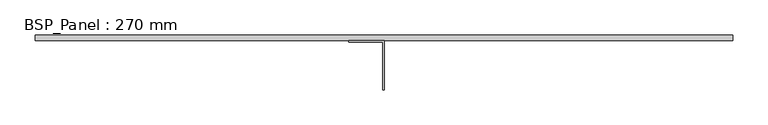
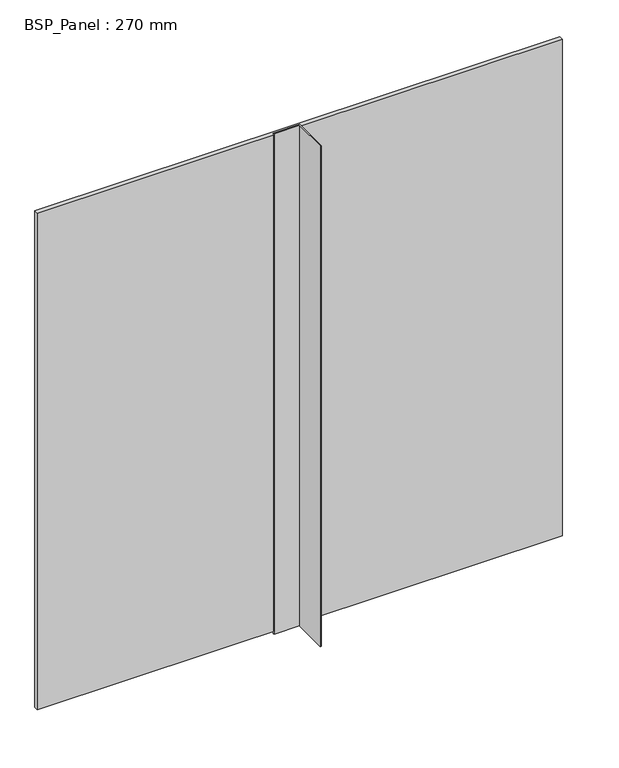
"""IFC4 building model written with IfcOpenShell, lengths in millimetres: plate geometry, BSP_Panel : 270 mm."""

from ifc_helpers import new_model, si_unit, frame, origin, origin_with_axes, place, context, project, spatial, polyline, outline, extrude, source, transform, mapped, element, save


def bsp_panel_270_mm_4b1c4473(model_context):
    return source(origin(), model_context, "Body", "SweptSolid", [
        extrude(outline(polyline([(496.0000001, 270.0), (496.0000001, 262.0), (-496.0000001, 262.0), (-496.0000001, 270.0), (496.0000001, 270.0)])), frame((0.0, 0.0, 4.0), z_axis=(0.0, 0.0, 1.0), x_axis=(1.0, 0.0, 0.0)), (0.0, 0.0, 1.0), 992.0),
        extrude(outline(polyline([(-50.0, 262.0), (0.0, 262.0), (0.0, 192.0), (-2.0, 192.0), (-2.0, 260.0), (-50.0, 260.0), (-50.0, 262.0)])), origin_with_axes(), (0.0, 0.0, 1.0), 1000.0),
    ])


if __name__ == "__main__":
    model = new_model("IFC4")
    model_context = context("Model", 3, world=origin())
    ifc_project = project(units=[si_unit("LENGTHUNIT", "METRE", prefix="MILLI")], contexts=[model_context])
    site = spatial("IfcSite", under=ifc_project)
    building = spatial("IfcBuilding", under=site)
    placement = place(None, origin())
    bsp_panel_270_mm_shape = bsp_panel_270_mm_4b1c4473(model_context)
    element("IfcPlate", 1, ObjectType="BSP_Panel : 270 mm", at=placement, inside=building, context=model_context, shape_type="MappedRepresentation", body=[
        mapped(bsp_panel_270_mm_shape, transform((0.0, 0.0, 0.0), x_axis=(1.0, 0.0, 0.0), y_axis=(0.0, 1.0, 0.0), z_axis=(0.0, 0.0, 1.0))),
    ])
    save(model, "model.ifc")
